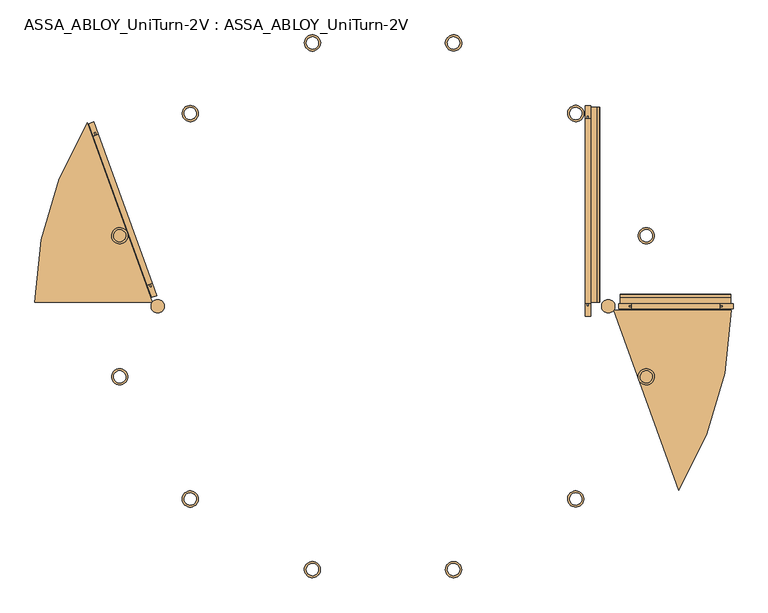
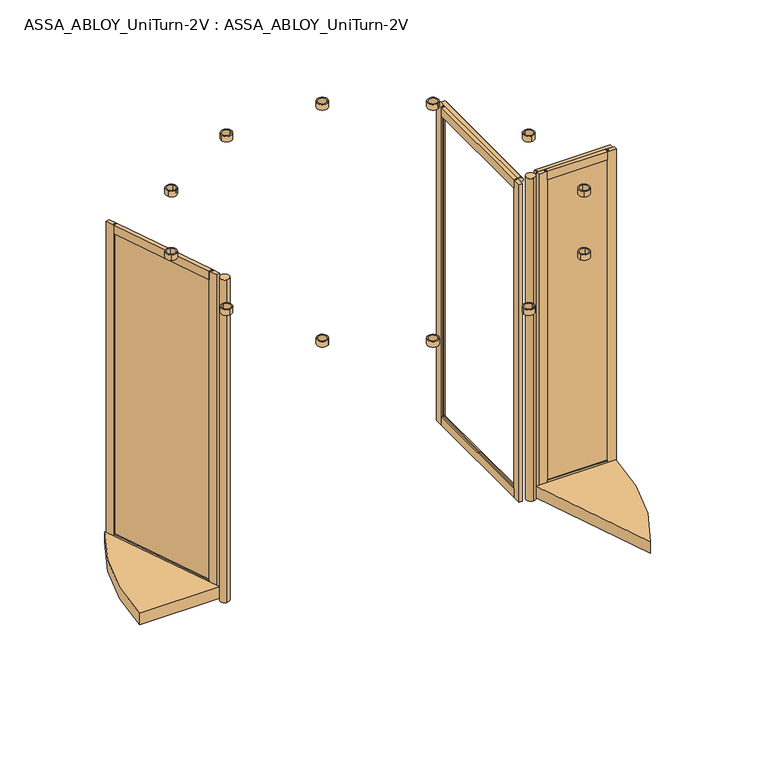
"""IFC4 building model written with IfcOpenShell, lengths in millimetres: door geometry, ASSA_ABLOY_UniTurn-2V : ASSA_ABLOY_UniTurn-2V."""

from ifc_helpers import new_model, si_unit, point, frame, frame_2d, origin, origin_with_axes, place, context, project, spatial, polyline, circle_curve, trimmed, segment, composite_curve, outline, extrude, source, transform, mapped, element, save


def assa_abloy_uniturn_2v_assa_abloy_uniturn_2v_89d2edbc(model_context):
    return source(origin(), model_context, "Body", "SweptSolid", [
        extrude(outline(polyline([(2486.0, 1126.8), (2421.0, 1126.8), (2421.0, 1134.8), (2436.0, 1134.8), (2436.0, 1144.8), (2421.0, 1144.8), (2421.0, 1152.8), (2486.0, 1152.8), (2486.0, 1126.8)])), frame((0.0, 15.0, 0.0), z_axis=(0.0, 1.0, 0.0), x_axis=(0.0, 0.0, 1.0)), (0.0, 0.0, 1.0), 913.95),
        extrude(outline(polyline([(105.0, 1152.8), (105.0, 1144.8), (90.0, 1144.8), (90.0, 1134.8), (105.0, 1134.8), (105.0, 1126.8), (40.0, 1126.8), (40.0, 1152.8), (105.0, 1152.8)])), frame((0.0, 15.0, 0.0), z_axis=(0.0, 1.0, 0.0), x_axis=(0.0, 0.0, 1.0)), (0.0, 0.0, 1.0), 913.95),
        extrude(outline(polyline([(1152.8, 15.0), (1152.8, -50.0), (1126.8, -50.0), (1126.8, 15.0), (1134.8, 15.0), (1134.8, 0.0), (1144.8, 0.0), (1144.8, 15.0), (1152.8, 15.0)])), frame((0.0, 0.0, 40.0), z_axis=(0.0, 0.0, 1.0), x_axis=(1.0, 0.0, 0.0)), (0.0, 0.0, 1.0), 2446.0),
        extrude(outline(polyline([(1152.8, 928.95), (1144.8, 928.95), (1144.8, 943.95), (1134.8, 943.95), (1134.8, 928.95), (1126.8, 928.95), (1126.8, 993.95), (1152.8, 993.95), (1152.8, 928.95)])), frame((0.0, 0.0, 40.0), z_axis=(0.0, 0.0, 1.0), x_axis=(1.0, 0.0, 0.0)), (0.0, 0.0, 1.0), 2446.0),
        extrude(outline(polyline([(2486.0, 1152.8), (2437.8850542, 1152.8), (2437.8850542, 1155.7913329), (2483.0, 1155.7913329), (2483.0, 1182.7913329), (2486.0, 1182.7913329), (2486.0, 1152.8)])), frame((0.0, 20.27, 0.0), z_axis=(0.0, 1.0, 0.0), x_axis=(0.0, 0.0, 1.0)), (0.0, 0.0, 1.0), 964.68),
        extrude(outline(composite_curve([segment(trimmed(circle_curve(frame_2d((2455.1662061, 1172.6695926)), 27.9399487), [point((2463.4731378, 1199.346092))], [point((2483.0, 1175.1028312))], False, "CARTESIAN"), True, "CONTINUOUS"), segment(polyline([(2483.0, 1175.1028312), (2483.0, 1155.7913329), (2438.0, 1155.7913329), (2438.0, 1175.1028312)]), True, "CONTINUOUS"), segment(trimmed(circle_curve(frame_2d((2465.8337939, 1172.6695926)), 27.9399487), [point((2438.0, 1175.1028312))], [point((2452.6647456, 1197.311364))], False, "CARTESIAN"), True, "CONTINUOUS"), segment(trimmed(circle_curve(frame_2d((2465.8337939, 1172.6695926)), 27.9399487), [point((2452.6647456, 1197.311364))], [point((2457.5268622, 1199.346092))], False, "CARTESIAN"), True, "CONTINUOUS"), segment(trimmed(circle_curve(frame_2d((2460.5, 1189.7982937)), 10.0), [point((2457.5268622, 1199.346092))], [point((2463.4731378, 1199.346092))], False, "CARTESIAN"), True, "CONTINUOUS")], self_intersect=False)), frame((0.0, 20.27, 0.0), z_axis=(0.0, 1.0, 0.0), x_axis=(0.0, 0.0, 1.0)), (0.0, 0.0, 1.0), 964.68),
        extrude(outline(polyline([(1809.0, -5.0), (1341.6, -5.0), (1341.6, 5.0), (1809.0, 5.0), (1809.0, -5.0)])), frame((0.0, 0.0, 90.0), z_axis=(0.0, 0.0, 1.0), x_axis=(1.0, 0.0, 0.0)), (0.0, 0.0, 1.0), 2346.0),
        extrude(outline(polyline([(-13.0, 2486.0), (13.0, 2486.0), (13.0, 2421.0), (5.0, 2421.0), (5.0, 2436.0), (-5.0, 2436.0), (-5.0, 2421.0), (-13.0, 2421.0), (-13.0, 2486.0)])), frame((1356.6, 0.0, 0.0), z_axis=(1.0, 0.0, 0.0), x_axis=(0.0, 1.0, 0.0)), (0.0, 0.0, 1.0), 437.4),
        extrude(outline(polyline([(13.0, 105.0), (13.0, 40.0), (-13.0, 40.0), (-13.0, 105.0), (-5.0, 105.0), (-5.0, 90.0), (5.0, 90.0), (5.0, 105.0), (13.0, 105.0)])), frame((1356.6, 0.0, 0.0), z_axis=(1.0, 0.0, 0.0), x_axis=(0.0, 1.0, 0.0)), (0.0, 0.0, 1.0), 437.4),
        extrude(outline(polyline([(1794.0, 13.0), (1859.0, 13.0), (1859.0, -13.0), (1794.0, -13.0), (1794.0, -5.0), (1809.0, -5.0), (1809.0, 5.0), (1794.0, 5.0), (1794.0, 13.0)])), frame((0.0, 0.0, 40.0), z_axis=(0.0, 0.0, 1.0), x_axis=(1.0, 0.0, 0.0)), (0.0, 0.0, 1.0), 2446.0),
        extrude(outline(polyline([(1356.6, 13.0), (1356.6, 5.0), (1341.6, 5.0), (1341.6, -5.0), (1356.6, -5.0), (1356.6, -13.0), (1291.6, -13.0), (1291.6, 13.0), (1356.6, 13.0)])), frame((0.0, 0.0, 40.0), z_axis=(0.0, 0.0, 1.0), x_axis=(1.0, 0.0, 0.0)), (0.0, 0.0, 1.0), 2446.0),
        extrude(outline(polyline([(13.0, 2486.0), (42.9913329, 2486.0), (42.9913329, 2483.0), (15.9913329, 2483.0), (15.9913329, 2437.8850542), (13.0, 2437.8850542), (13.0, 2486.0)])), frame((1300.6, 0.0, 0.0), z_axis=(1.0, 0.0, 0.0), x_axis=(0.0, 1.0, 0.0)), (0.0, 0.0, 1.0), 547.4),
        extrude(outline(composite_curve([segment(trimmed(circle_curve(frame_2d((49.9982937, 2460.5)), 10.0), [point((59.546092, 2463.4731378))], [point((59.546092, 2457.5268622))], False, "CARTESIAN"), True, "CONTINUOUS"), segment(trimmed(circle_curve(frame_2d((32.8695926, 2465.8337939)), 27.9399487), [point((59.546092, 2457.5268622))], [point((57.511364, 2452.6647456))], False, "CARTESIAN"), True, "CONTINUOUS"), segment(trimmed(circle_curve(frame_2d((32.8695926, 2465.8337939)), 27.9399487), [point((57.511364, 2452.6647456))], [point((35.3028312, 2438.0))], False, "CARTESIAN"), True, "CONTINUOUS"), segment(polyline([(35.3028312, 2438.0), (15.9913329, 2438.0), (15.9913329, 2483.0), (35.3028312, 2483.0)]), True, "CONTINUOUS"), segment(trimmed(circle_curve(frame_2d((32.8695926, 2455.1662061)), 27.9399487), [point((35.3028312, 2483.0))], [point((59.546092, 2463.4731378))], False, "CARTESIAN"), True, "CONTINUOUS")], self_intersect=False)), frame((1300.6, 0.0, 0.0), z_axis=(1.0, 0.0, 0.0), x_axis=(0.0, 1.0, 0.0)), (0.0, 0.0, 1.0), 547.4),
        extrude(outline(polyline([(-1020.3259997, 96.5821419), (-1029.7294749, 93.1799876), (-1307.1859526, 860.0632177), (-1297.7824774, 863.465372), (-1020.3259997, 96.5821419)])), frame((0.0, 0.0, 90.0), z_axis=(0.0, 0.0, 1.0), x_axis=(1.0, 0.0, 0.0)), (0.0, 0.0, 1.0), 2346.0),
        extrude(outline(polyline([(-26.0, 0.0), (0.0, 0.0), (0.0, -65.0), (-8.0, -65.0), (-8.0, -50.0), (-18.0, -50.0), (-18.0, -65.0), (-26.0, -65.0), (-26.0, 0.0)])), frame((-1042.3554865, 104.5634769, 2486.0), z_axis=(-0.3402154337922676, 0.9403475201272875, 0.0), x_axis=(-0.9403475201272875, -0.3402154337922676, 0.0)), (0.0, 0.0, 1.0), 785.5317195),
        extrude(outline(polyline([(-65.0, 0.0), (0.0, 0.0), (0.0, -26.0), (-65.0, -26.0), (-65.0, -18.0), (-50.0, -18.0), (-50.0, -8.0), (-65.0, -8.0), (-65.0, 0.0)])), frame((-1042.3554865, 104.5634769, 40.0), z_axis=(-0.3402154337922676, 0.9403475201272875, 0.0), x_axis=(0.0, 0.0, -1.0)), (0.0, 0.0, 1.0), 785.5317195),
        extrude(outline(polyline([(-1042.3554865, 104.5634769), (-1034.8327064, 107.2852004), (-1029.7294749, 93.1799876), (-1020.3259997, 96.5821419), (-1025.4292312, 110.6873548), (-1017.906451, 113.4090782), (-995.7924478, 52.2864894), (-1020.2414833, 43.4408881), (-1042.3554865, 104.5634769)])), frame((0.0, 0.0, 40.0), z_axis=(0.0, 0.0, 1.0), x_axis=(1.0, 0.0, 0.0)), (0.0, 0.0, 1.0), 2446.0),
        extrude(outline(polyline([(-1309.6055013, 843.2362814), (-1331.7195045, 904.3588702), (-1307.2704689, 913.2044715), (-1285.1564657, 852.0818827), (-1292.6792459, 849.3601592), (-1297.7824774, 863.465372), (-1307.1859526, 860.0632177), (-1302.0827211, 845.9580049), (-1309.6055013, 843.2362814)])), frame((0.0, 0.0, 40.0), z_axis=(0.0, 0.0, 1.0), x_axis=(1.0, 0.0, 0.0)), (0.0, 0.0, 1.0), 2446.0),
        extrude(outline(composite_curve([segment(trimmed(circle_curve(frame_2d((125.0, 0.0)), 1724.0), [point((1848.8839868, -20.0))], [point((1589.1470738, -910.1919283))], False, "CARTESIAN"), True, "CONTINUOUS"), segment(polyline([(1589.1470738, -910.1919283), (1267.0778105, -20.0), (1848.8839868, -20.0)]), True, "CONTINUOUS")], self_intersect=False)), frame((0.0, 0.0, 8.0), z_axis=(0.0, 0.0, 1.0), x_axis=(1.0, 0.0, 0.0)), (0.0, 0.0, 1.0), 87.0),
        extrude(outline(composite_curve([segment(trimmed(circle_curve(frame_2d((125.0, 0.0)), 1724.0), [point((-1598.8839868, 20.0))], [point((-1339.1470738, 910.1919283))], False, "CARTESIAN"), True, "CONTINUOUS"), segment(polyline([(-1339.1470738, 910.1919283), (-1017.0778105, 20.0), (-1598.8839868, 20.0)]), True, "CONTINUOUS")], self_intersect=False)), frame((0.0, 0.0, 8.0), z_axis=(0.0, 0.0, 1.0), x_axis=(1.0, 0.0, 0.0)), (0.0, 0.0, 1.0), 87.0),
        extrude(outline(composite_curve([segment(trimmed(circle_curve(frame_2d((1240.7, 0.0)), 33.0), [point((1240.7, -33.0))], [point((1240.7, 33.0))], False, "CARTESIAN"), True, "CONTINUOUS"), segment(trimmed(circle_curve(frame_2d((1240.7, 0.0)), 33.0), [point((1240.7, 33.0))], [point((1240.7, -33.0))], False, "CARTESIAN"), True, "CONTINUOUS")], self_intersect=False)), origin_with_axes(), (0.0, 0.0, 1.0), 2486.0),
        extrude(outline(composite_curve([segment(trimmed(circle_curve(frame_2d((-990.7, 0.0)), 33.0), [point((-990.7, -33.0))], [point((-990.7, 33.0))], False, "CARTESIAN"), True, "CONTINUOUS"), segment(trimmed(circle_curve(frame_2d((-990.7, 0.0)), 33.0), [point((-990.7, 33.0))], [point((-990.7, -33.0))], False, "CARTESIAN"), True, "CONTINUOUS")], self_intersect=False)), origin_with_axes(), (0.0, 0.0, 1.0), 2486.0),
        extrude(outline(composite_curve([segment(trimmed(circle_curve(frame_2d((-829.5941546, -954.5941546)), 40.0), [point((-809.5941546, -989.2351708))], [point((-849.5941546, -919.9531385))], False, "CARTESIAN"), True, "CONTINUOUS"), segment(trimmed(circle_curve(frame_2d((-829.5941546, -954.5941546)), 40.0), [point((-849.5941546, -919.9531385))], [point((-809.5941546, -989.2351708))], False, "CARTESIAN"), True, "CONTINUOUS")], self_intersect=False), holes=[composite_curve([segment(trimmed(circle_curve(frame_2d((-829.5941546, -954.5941546)), 30.0), [point((-850.807358, -933.3809512))], [point((-808.3809512, -975.807358))], True, "CARTESIAN"), True, "CONTINUOUS"), segment(trimmed(circle_curve(frame_2d((-829.5941546, -954.5941546)), 30.0), [point((-808.3809512, -975.807358))], [point((-850.807358, -933.3809512))], True, "CARTESIAN"), True, "CONTINUOUS")], self_intersect=False)]), frame((0.0, 0.0, 2496.2), z_axis=(0.0, 0.0, 1.0), x_axis=(1.0, 0.0, 0.0)), (0.0, 0.0, 1.0), 42.8),
        extrude(outline(composite_curve([segment(trimmed(circle_curve(frame_2d((-1178.9998655, -349.4057109)), 40.0), [point((-1178.9998655, -389.4057109))], [point((-1178.9998655, -309.4057109))], False, "CARTESIAN"), True, "CONTINUOUS"), segment(trimmed(circle_curve(frame_2d((-1178.9998655, -349.4057109)), 40.0), [point((-1178.9998655, -309.4057109))], [point((-1178.9998655, -389.4057109))], False, "CARTESIAN"), True, "CONTINUOUS")], self_intersect=False), holes=[composite_curve([segment(trimmed(circle_curve(frame_2d((-1178.9998655, -349.4057109)), 30.0), [point((-1186.7644368, -320.4279361))], [point((-1171.2352941, -378.3834857))], True, "CARTESIAN"), True, "CONTINUOUS"), segment(trimmed(circle_curve(frame_2d((-1178.9998655, -349.4057109)), 30.0), [point((-1171.2352941, -378.3834857))], [point((-1186.7644368, -320.4279361))], True, "CARTESIAN"), True, "CONTINUOUS")], self_intersect=False)]), frame((0.0, 0.0, 2496.2), z_axis=(0.0, 0.0, 1.0), x_axis=(1.0, 0.0, 0.0)), (0.0, 0.0, 1.0), 42.8),
        extrude(outline(composite_curve([segment(trimmed(circle_curve(frame_2d((-1178.9998655, 349.4057109)), 40.0), [point((-1198.9998655, 314.7646947))], [point((-1158.9998655, 384.046727))], False, "CARTESIAN"), True, "CONTINUOUS"), segment(trimmed(circle_curve(frame_2d((-1178.9998655, 349.4057109)), 40.0), [point((-1158.9998655, 384.046727))], [point((-1198.9998655, 314.7646947))], False, "CARTESIAN"), True, "CONTINUOUS")], self_intersect=False), holes=[composite_curve([segment(trimmed(circle_curve(frame_2d((-1178.9998655, 349.4057109)), 30.0), [point((-1171.2352941, 378.3834857))], [point((-1186.7644368, 320.4279361))], True, "CARTESIAN"), True, "CONTINUOUS"), segment(trimmed(circle_curve(frame_2d((-1178.9998655, 349.4057109)), 30.0), [point((-1186.7644368, 320.4279361))], [point((-1171.2352941, 378.3834857))], True, "CARTESIAN"), True, "CONTINUOUS")], self_intersect=False)]), frame((0.0, 0.0, 2496.2), z_axis=(0.0, 0.0, 1.0), x_axis=(1.0, 0.0, 0.0)), (0.0, 0.0, 1.0), 42.8),
        extrude(outline(composite_curve([segment(trimmed(circle_curve(frame_2d((-829.5941546, 954.5941546)), 40.0), [point((-864.2351708, 934.5941546))], [point((-794.9531385, 974.5941546))], False, "CARTESIAN"), True, "CONTINUOUS"), segment(trimmed(circle_curve(frame_2d((-829.5941546, 954.5941546)), 40.0), [point((-794.9531385, 974.5941546))], [point((-864.2351708, 934.5941546))], False, "CARTESIAN"), True, "CONTINUOUS")], self_intersect=False), holes=[composite_curve([segment(trimmed(circle_curve(frame_2d((-829.5941546, 954.5941546)), 30.0), [point((-808.3809512, 975.807358))], [point((-850.807358, 933.3809512))], True, "CARTESIAN"), True, "CONTINUOUS"), segment(trimmed(circle_curve(frame_2d((-829.5941546, 954.5941546)), 30.0), [point((-850.807358, 933.3809512))], [point((-808.3809512, 975.807358))], True, "CARTESIAN"), True, "CONTINUOUS")], self_intersect=False)]), frame((0.0, 0.0, 2496.2), z_axis=(0.0, 0.0, 1.0), x_axis=(1.0, 0.0, 0.0)), (0.0, 0.0, 1.0), 42.8),
        extrude(outline(composite_curve([segment(trimmed(circle_curve(frame_2d((-224.4057109, 1303.9998655)), 40.0), [point((-264.4057109, 1303.9998655))], [point((-184.4057109, 1303.9998655))], False, "CARTESIAN"), True, "CONTINUOUS"), segment(trimmed(circle_curve(frame_2d((-224.4057109, 1303.9998655)), 40.0), [point((-184.4057109, 1303.9998655))], [point((-264.4057109, 1303.9998655))], False, "CARTESIAN"), True, "CONTINUOUS")], self_intersect=False), holes=[composite_curve([segment(trimmed(circle_curve(frame_2d((-224.4057109, 1303.9998655)), 30.0), [point((-195.4279361, 1311.7644368))], [point((-253.3834857, 1296.2352941))], True, "CARTESIAN"), True, "CONTINUOUS"), segment(trimmed(circle_curve(frame_2d((-224.4057109, 1303.9998655)), 30.0), [point((-253.3834857, 1296.2352941))], [point((-195.4279361, 1311.7644368))], True, "CARTESIAN"), True, "CONTINUOUS")], self_intersect=False)]), frame((0.0, 0.0, 2496.2), z_axis=(0.0, 0.0, 1.0), x_axis=(1.0, 0.0, 0.0)), (0.0, 0.0, 1.0), 42.8),
        extrude(outline(composite_curve([segment(trimmed(circle_curve(frame_2d((474.4057109, 1303.9998655)), 40.0), [point((439.7646947, 1323.9998655))], [point((509.046727, 1283.9998655))], False, "CARTESIAN"), True, "CONTINUOUS"), segment(trimmed(circle_curve(frame_2d((474.4057109, 1303.9998655)), 40.0), [point((509.046727, 1283.9998655))], [point((439.7646947, 1323.9998655))], False, "CARTESIAN"), True, "CONTINUOUS")], self_intersect=False), holes=[composite_curve([segment(trimmed(circle_curve(frame_2d((474.4057109, 1303.9998655)), 30.0), [point((503.3834857, 1296.2352941))], [point((445.4279361, 1311.7644368))], True, "CARTESIAN"), True, "CONTINUOUS"), segment(trimmed(circle_curve(frame_2d((474.4057109, 1303.9998655)), 30.0), [point((445.4279361, 1311.7644368))], [point((503.3834857, 1296.2352941))], True, "CARTESIAN"), True, "CONTINUOUS")], self_intersect=False)]), frame((0.0, 0.0, 2496.2), z_axis=(0.0, 0.0, 1.0), x_axis=(1.0, 0.0, 0.0)), (0.0, 0.0, 1.0), 42.8),
        extrude(outline(composite_curve([segment(trimmed(circle_curve(frame_2d((1079.5941546, 954.5941546)), 40.0), [point((1059.5941546, 989.2351708))], [point((1099.5941546, 919.9531385))], False, "CARTESIAN"), True, "CONTINUOUS"), segment(trimmed(circle_curve(frame_2d((1079.5941546, 954.5941546)), 40.0), [point((1099.5941546, 919.9531385))], [point((1059.5941546, 989.2351708))], False, "CARTESIAN"), True, "CONTINUOUS")], self_intersect=False), holes=[composite_curve([segment(trimmed(circle_curve(frame_2d((1079.5941546, 954.5941546)), 30.0), [point((1100.807358, 933.3809512))], [point((1058.3809512, 975.807358))], True, "CARTESIAN"), True, "CONTINUOUS"), segment(trimmed(circle_curve(frame_2d((1079.5941546, 954.5941546)), 30.0), [point((1058.3809512, 975.807358))], [point((1100.807358, 933.3809512))], True, "CARTESIAN"), True, "CONTINUOUS")], self_intersect=False)]), frame((0.0, 0.0, 2496.2), z_axis=(0.0, 0.0, 1.0), x_axis=(1.0, 0.0, 0.0)), (0.0, 0.0, 1.0), 42.8),
        extrude(outline(composite_curve([segment(trimmed(circle_curve(frame_2d((1428.9998655, 349.4057109)), 40.0), [point((1428.9998655, 389.4057109))], [point((1428.9998655, 309.4057109))], False, "CARTESIAN"), True, "CONTINUOUS"), segment(trimmed(circle_curve(frame_2d((1428.9998655, 349.4057109)), 40.0), [point((1428.9998655, 309.4057109))], [point((1428.9998655, 389.4057109))], False, "CARTESIAN"), True, "CONTINUOUS")], self_intersect=False), holes=[composite_curve([segment(trimmed(circle_curve(frame_2d((1428.9998655, 349.4057109)), 30.0), [point((1436.7644368, 320.4279361))], [point((1421.2352941, 378.3834857))], True, "CARTESIAN"), True, "CONTINUOUS"), segment(trimmed(circle_curve(frame_2d((1428.9998655, 349.4057109)), 30.0), [point((1421.2352941, 378.3834857))], [point((1436.7644368, 320.4279361))], True, "CARTESIAN"), True, "CONTINUOUS")], self_intersect=False)]), frame((0.0, 0.0, 2496.2), z_axis=(0.0, 0.0, 1.0), x_axis=(1.0, 0.0, 0.0)), (0.0, 0.0, 1.0), 42.8),
        extrude(outline(composite_curve([segment(trimmed(circle_curve(frame_2d((1428.9998655, -349.4057109)), 40.0), [point((1448.9998655, -314.7646947))], [point((1408.9998655, -384.046727))], False, "CARTESIAN"), True, "CONTINUOUS"), segment(trimmed(circle_curve(frame_2d((1428.9998655, -349.4057109)), 40.0), [point((1408.9998655, -384.046727))], [point((1448.9998655, -314.7646947))], False, "CARTESIAN"), True, "CONTINUOUS")], self_intersect=False), holes=[composite_curve([segment(trimmed(circle_curve(frame_2d((1428.9998655, -349.4057109)), 30.0), [point((1421.2352941, -378.3834857))], [point((1436.7644368, -320.4279361))], True, "CARTESIAN"), True, "CONTINUOUS"), segment(trimmed(circle_curve(frame_2d((1428.9998655, -349.4057109)), 30.0), [point((1436.7644368, -320.4279361))], [point((1421.2352941, -378.3834857))], True, "CARTESIAN"), True, "CONTINUOUS")], self_intersect=False)]), frame((0.0, 0.0, 2496.2), z_axis=(0.0, 0.0, 1.0), x_axis=(1.0, 0.0, 0.0)), (0.0, 0.0, 1.0), 42.8),
        extrude(outline(composite_curve([segment(trimmed(circle_curve(frame_2d((1079.5941546, -954.5941546)), 40.0), [point((1114.2351708, -934.5941546))], [point((1044.9531385, -974.5941546))], False, "CARTESIAN"), True, "CONTINUOUS"), segment(trimmed(circle_curve(frame_2d((1079.5941546, -954.5941546)), 40.0), [point((1044.9531385, -974.5941546))], [point((1114.2351708, -934.5941546))], False, "CARTESIAN"), True, "CONTINUOUS")], self_intersect=False), holes=[composite_curve([segment(trimmed(circle_curve(frame_2d((1079.5941546, -954.5941546)), 30.0), [point((1058.3809512, -975.807358))], [point((1100.807358, -933.3809512))], True, "CARTESIAN"), True, "CONTINUOUS"), segment(trimmed(circle_curve(frame_2d((1079.5941546, -954.5941546)), 30.0), [point((1100.807358, -933.3809512))], [point((1058.3809512, -975.807358))], True, "CARTESIAN"), True, "CONTINUOUS")], self_intersect=False)]), frame((0.0, 0.0, 2496.2), z_axis=(0.0, 0.0, 1.0), x_axis=(1.0, 0.0, 0.0)), (0.0, 0.0, 1.0), 42.8),
        extrude(outline(composite_curve([segment(trimmed(circle_curve(frame_2d((474.4057109, -1303.9998655)), 40.0), [point((514.4057109, -1303.9998655))], [point((434.4057109, -1303.9998655))], False, "CARTESIAN"), True, "CONTINUOUS"), segment(trimmed(circle_curve(frame_2d((474.4057109, -1303.9998655)), 40.0), [point((434.4057109, -1303.9998655))], [point((514.4057109, -1303.9998655))], False, "CARTESIAN"), True, "CONTINUOUS")], self_intersect=False), holes=[composite_curve([segment(trimmed(circle_curve(frame_2d((474.4057109, -1303.9998655)), 30.0), [point((445.4279361, -1311.7644368))], [point((503.3834857, -1296.2352941))], True, "CARTESIAN"), True, "CONTINUOUS"), segment(trimmed(circle_curve(frame_2d((474.4057109, -1303.9998655)), 30.0), [point((503.3834857, -1296.2352941))], [point((445.4279361, -1311.7644368))], True, "CARTESIAN"), True, "CONTINUOUS")], self_intersect=False)]), frame((0.0, 0.0, 2496.2), z_axis=(0.0, 0.0, 1.0), x_axis=(1.0, 0.0, 0.0)), (0.0, 0.0, 1.0), 42.8),
        extrude(outline(composite_curve([segment(trimmed(circle_curve(frame_2d((-224.4057109, -1303.9998655)), 40.0), [point((-189.7646947, -1323.9998655))], [point((-259.046727, -1283.9998655))], False, "CARTESIAN"), True, "CONTINUOUS"), segment(trimmed(circle_curve(frame_2d((-224.4057109, -1303.9998655)), 40.0), [point((-259.046727, -1283.9998655))], [point((-189.7646947, -1323.9998655))], False, "CARTESIAN"), True, "CONTINUOUS")], self_intersect=False), holes=[composite_curve([segment(trimmed(circle_curve(frame_2d((-224.4057109, -1303.9998655)), 30.0), [point((-253.3834857, -1296.2352941))], [point((-195.4279361, -1311.7644368))], True, "CARTESIAN"), True, "CONTINUOUS"), segment(trimmed(circle_curve(frame_2d((-224.4057109, -1303.9998655)), 30.0), [point((-195.4279361, -1311.7644368))], [point((-253.3834857, -1296.2352941))], True, "CARTESIAN"), True, "CONTINUOUS")], self_intersect=False)]), frame((0.0, 0.0, 2496.2), z_axis=(0.0, 0.0, 1.0), x_axis=(1.0, 0.0, 0.0)), (0.0, 0.0, 1.0), 42.8),
    ])


if __name__ == "__main__":
    model = new_model("IFC4")
    model_context = context("Model", 3, world=origin())
    ifc_project = project(units=[si_unit("LENGTHUNIT", "METRE", prefix="MILLI")], contexts=[model_context])
    site = spatial("IfcSite", under=ifc_project)
    building = spatial("IfcBuilding", under=site)
    placement = place(None, origin())
    assa_abloy_uniturn_2v_assa_abloy_uniturn_2v_shape = assa_abloy_uniturn_2v_assa_abloy_uniturn_2v_89d2edbc(model_context)
    element("IfcDoor", 1, ObjectType="ASSA_ABLOY_UniTurn-2V : ASSA_ABLOY_UniTurn-2V", at=placement, inside=building, context=model_context, shape_type="MappedRepresentation", body=[
        mapped(assa_abloy_uniturn_2v_assa_abloy_uniturn_2v_shape, transform((0.0, 0.0, 0.0), x_axis=(1.0, 0.0, 0.0), y_axis=(0.0, 1.0, 0.0), z_axis=(0.0, 0.0, 1.0))),
    ])
    save(model, "model.ifc")
